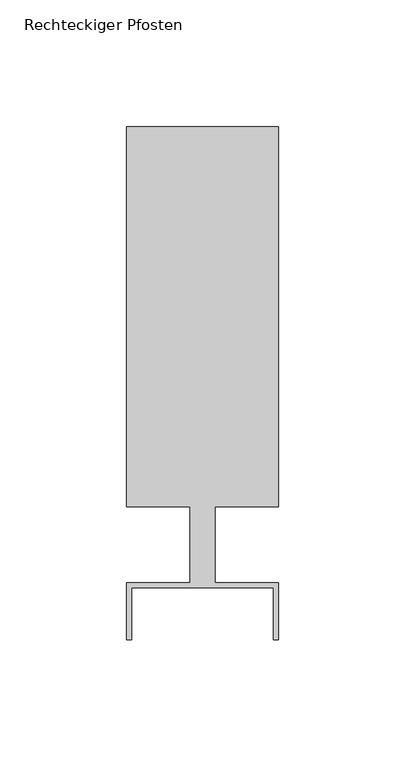
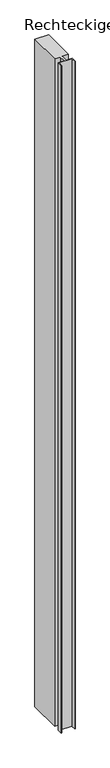
"""IFC4 building model written with IfcOpenShell, lengths in millimetres: member geometry, Rechteckiger Pfosten."""

from ifc_helpers import new_model, si_unit, frame, origin, place, context, project, spatial, polyline, outline, extrude, source, transform, mapped, element, save


def rechteckiger_pfosten_56bd4cbf(model_context):
    return source(origin(), model_context, "Body", "SweptSolid", [
        extrude(outline(polyline([(-2.0, -37.5), (-2.0, -17.0), (-58.0, -17.0), (-58.0, -37.5), (-60.0, -37.5), (-60.0, -15.0), (-35.0, -15.0), (-35.0, 15.0), (-60.0, 15.0), (-60.0, 165.0), (0.0, 165.0), (0.0, 15.0), (-25.0, 15.0), (-25.0, -15.0), (0.0, -15.0), (0.0, -37.5), (-2.0, -37.5)])), frame((0.0, 0.0, -3110.0), z_axis=(0.0, 0.0, 1.0), x_axis=(1.0, 0.0, 0.0)), (0.0, 0.0, 1.0), 3110.0),
    ])


if __name__ == "__main__":
    model = new_model("IFC4")
    model_context = context("Model", 3, world=origin())
    ifc_project = project(units=[si_unit("LENGTHUNIT", "METRE", prefix="MILLI")], contexts=[model_context])
    site = spatial("IfcSite", under=ifc_project)
    building = spatial("IfcBuilding", under=site)
    placement = place(None, origin())
    rechteckiger_pfosten_shape = rechteckiger_pfosten_56bd4cbf(model_context)
    element("IfcMember", 1, ObjectType="Rechteckiger Pfosten", at=placement, inside=building, context=model_context, shape_type="MappedRepresentation", body=[
        mapped(rechteckiger_pfosten_shape, transform((0.0, 0.0, 0.0), x_axis=(1.0, 0.0, 0.0), y_axis=(0.0, 1.0, 0.0), z_axis=(0.0, 0.0, 1.0))),
    ])
    save(model, "model.ifc")
